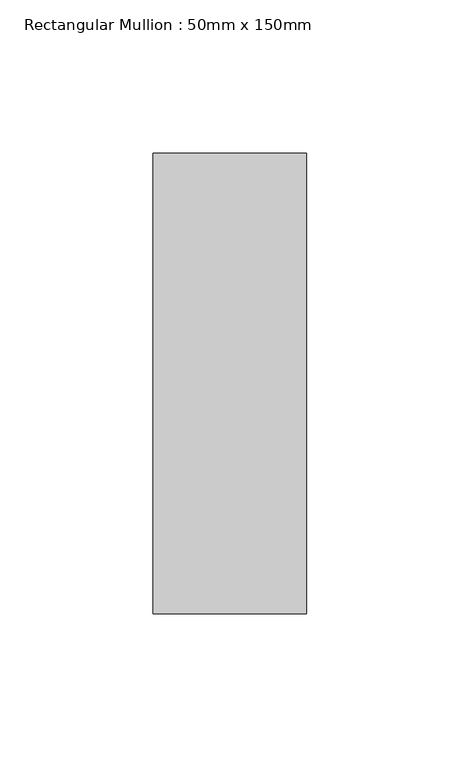
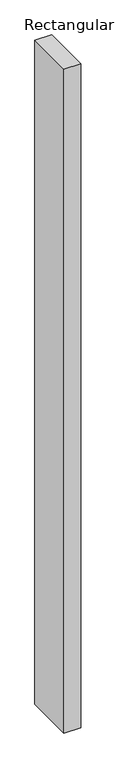
"""IFC4 building model written with IfcOpenShell, lengths in millimetres: member geometry, Rectangular Mullion : 50mm x 150mm."""

from ifc_helpers import new_model, si_unit, frame, origin, place, context, project, spatial, polyline, outline, extrude, source, transform, mapped, element, save


def rectangular_mullion_50mm_x_150mm_3beb3aff(model_context):
    return source(origin(), model_context, "Body", "SweptSolid", [
        extrude(outline(polyline([(0.0, 75.0), (0.0, -75.0), (-50.0, -75.0), (-50.0, 75.0), (0.0, 75.0)])), frame((0.0, 0.0, -2089.4785963), z_axis=(0.0, 0.0, 1.0), x_axis=(1.0, 0.0, 0.0)), (0.0, 0.0, 1.0), 2089.4785963),
    ])


if __name__ == "__main__":
    model = new_model("IFC4")
    model_context = context("Model", 3, world=origin())
    ifc_project = project(units=[si_unit("LENGTHUNIT", "METRE", prefix="MILLI")], contexts=[model_context])
    site = spatial("IfcSite", under=ifc_project)
    building = spatial("IfcBuilding", under=site)
    placement = place(None, origin())
    rectangular_mullion_50mm_x_150mm_shape = rectangular_mullion_50mm_x_150mm_3beb3aff(model_context)
    element("IfcMember", 1, ObjectType="Rectangular Mullion : 50mm x 150mm", at=placement, inside=building, context=model_context, shape_type="MappedRepresentation", body=[
        mapped(rectangular_mullion_50mm_x_150mm_shape, transform((0.0, 0.0, 0.0), x_axis=(1.0, 0.0, 0.0), y_axis=(0.0, 1.0, 0.0), z_axis=(0.0, 0.0, 1.0))),
    ])
    save(model, "model.ifc")
